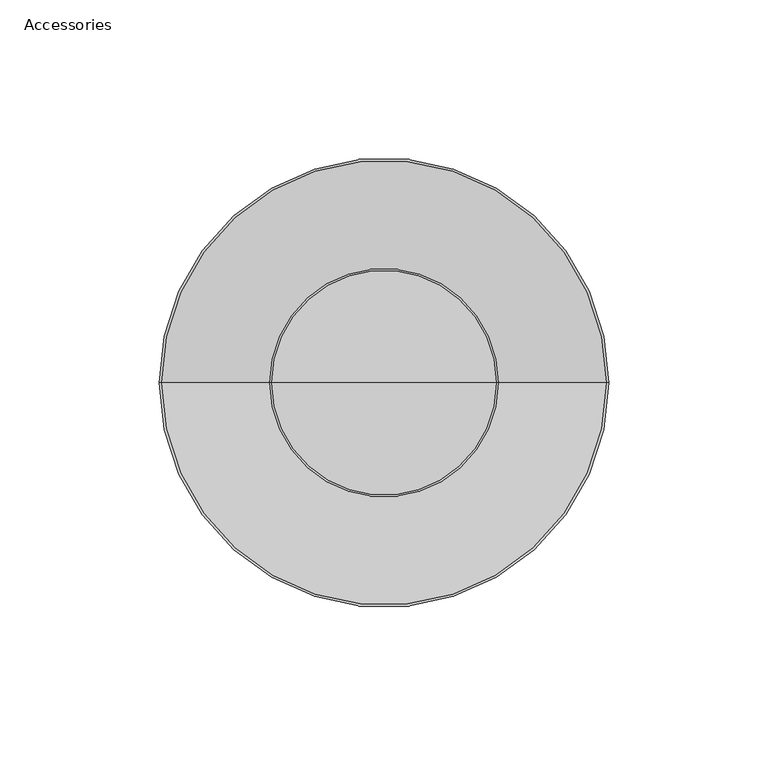
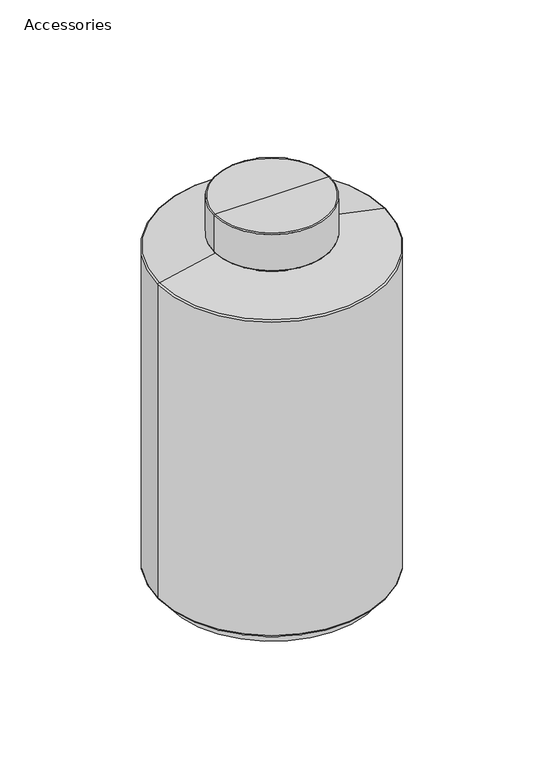
"""IFC4 building model written with IfcOpenShell, lengths in millimetres: furniture geometry, Accessories."""

from ifc_helpers import new_model, si_unit, point, frame, origin, place, context, project, spatial, polyline, circle_curve, ellipse_curve, trimmed, source, transform, mapped, element, save
from ifc_brep_helpers import plane_surface, cylinder_surface, revolved_surface, advanced_brep


def accessories_2618b80d(model_context):
    return source(origin(), model_context, "Body", "AdvancedBrep", [
        advanced_brep(
        [(-397.0075129, 345.7919098, 246.789098), (-325.2603036, 345.7919098, 246.789098), (-325.7792208, 345.7919098, 247.3080151), (-396.4885958, 345.7919098, 247.3080151), (-397.0075129, 345.7919098, 223.1217833), (-325.2603036, 345.7919098, 223.1217833), (-396.3535458, 345.7919098, 222.4678162), (-325.9142707, 345.7919098, 222.4678162), (-392.9948174, 345.7919098, 222.4678162), (-329.2729991, 345.7919098, 222.4678162), (-430.8687447, 345.7919098, 214.5175882), (-291.3990718, 345.7919098, 214.5175882), (-431.6553844, 345.7919098, 213.5486784), (-290.6124321, 345.7919098, 213.5486784), (-431.6553844, 345.7919098, 7.9831924), (-290.6124321, 345.7919098, 7.9831924), (-430.51664, 345.7919098, 6.7277154), (-291.7511766, 345.7919098, 6.7277154), (-425.5688509, 345.7919098, 6.2440973), (-296.6989656, 345.7919098, 6.2440973), (-425.5688509, 345.7919098, 0.0), (-296.6989656, 345.7919098, 0.0), (-361.1339083, 345.7919098, 0.0), (-361.1339083, 345.7919098, 247.3080151)],
        [
            (0, 1, circle_curve(frame((-361.1339083, 345.7919098, 246.789098), z_axis=(0.0, 0.0, 1.0), x_axis=(1.0, 0.0, 0.0)), 35.8736046)),
            (1, 2, circle_curve(frame((-325.7792208, 345.7919098, 246.789098), z_axis=(0.0, -1.0, 0.0), x_axis=(1.0, 0.0, 0.0)), 0.5189171)),
            (2, 3, circle_curve(frame((-361.1339083, 345.7919098, 247.3080151), z_axis=(0.0, 0.0, -1.0), x_axis=(1.0, 0.0, 0.0)), 35.3546875)),
            (3, 0, circle_curve(frame((-396.4885958, 345.7919098, 246.789098), z_axis=(0.0, -1.0, 0.0), x_axis=(-1.0, 0.0, 0.0)), 0.5189171)),
            (1, 0, circle_curve(frame((-361.1339083, 345.7919098, 246.789098), z_axis=(0.0, 0.0, 1.0), x_axis=(1.0, 0.0, 0.0)), 35.8736046)),
            (3, 2, circle_curve(frame((-361.1339083, 345.7919098, 247.3080151), z_axis=(0.0, 0.0, -1.0), x_axis=(1.0, 0.0, 0.0)), 35.3546875)),
            (4, 5, circle_curve(frame((-361.1339083, 345.7919098, 223.1217833), z_axis=(0.0, 0.0, 1.0), x_axis=(1.0, 0.0, 0.0)), 35.8736046)),
            (5, 1),
            (0, 4),
            (5, 4, circle_curve(frame((-361.1339083, 345.7919098, 223.1217833), z_axis=(0.0, 0.0, 1.0), x_axis=(1.0, 0.0, 0.0)), 35.8736046)),
            (6, 7, circle_curve(frame((-361.1339083, 345.7919098, 222.4678162), z_axis=(0.0, 0.0, 1.0), x_axis=(1.0, 0.0, 0.0)), 35.2196375)),
            (7, 5, circle_curve(frame((-325.9142707, 345.7919098, 223.1217833), z_axis=(0.0, -1.0, 0.0), x_axis=(1.0, 0.0, 0.0)), 0.6539671)),
            (4, 6, circle_curve(frame((-396.3535458, 345.7919098, 223.1217833), z_axis=(0.0, -1.0, 0.0), x_axis=(-1.0, 0.0, 0.0)), 0.6539671)),
            (7, 6, circle_curve(frame((-361.1339083, 345.7919098, 222.4678162), z_axis=(0.0, 0.0, 1.0), x_axis=(1.0, 0.0, 0.0)), 35.2196375)),
            (8, 9, circle_curve(frame((-361.1339083, 345.7919098, 222.4678162), z_axis=(0.0, 0.0, 1.0), x_axis=(1.0, 0.0, 0.0)), 31.8609091)),
            (9, 7),
            (6, 8),
            (9, 8, circle_curve(frame((-361.1339083, 345.7919098, 222.4678162), z_axis=(0.0, 0.0, 1.0), x_axis=(1.0, 0.0, 0.0)), 31.8609091)),
            (10, 11, circle_curve(frame((-361.1339083, 345.7919098, 214.5175882), z_axis=(0.0, 0.0, 1.0), x_axis=(1.0, 0.0, 0.0)), 69.7348364)),
            (11, 9),
            (8, 10),
            (11, 10, circle_curve(frame((-361.1339083, 345.7919098, 214.5175882), z_axis=(0.0, 0.0, 1.0), x_axis=(1.0, 0.0, 0.0)), 69.7348364)),
            (12, 13, circle_curve(frame((-361.1339083, 345.7919098, 213.5486784), z_axis=(0.0, 0.0, 1.0), x_axis=(1.0, 0.0, 0.0)), 70.5214761)),
            (13, 11, circle_curve(frame((-291.6024585, 345.7919098, 213.5486784), z_axis=(0.0, -1.0, 0.0), x_axis=(1.0, 0.0, 0.0)), 0.9900264)),
            (10, 12, circle_curve(frame((-430.665358, 345.7919098, 213.5486784), z_axis=(0.0, -1.0, 0.0), x_axis=(-1.0, 0.0, 0.0)), 0.9900264)),
            (13, 12, circle_curve(frame((-361.1339083, 345.7919098, 213.5486784), z_axis=(0.0, 0.0, 1.0), x_axis=(1.0, 0.0, 0.0)), 70.5214761)),
            (14, 15, circle_curve(frame((-361.1339083, 345.7919098, 7.9831924), z_axis=(0.0, 0.0, 1.0), x_axis=(1.0, 0.0, 0.0)), 70.5214761)),
            (15, 13),
            (12, 14),
            (15, 14, circle_curve(frame((-361.1339083, 345.7919098, 7.9831924), z_axis=(0.0, 0.0, 1.0), x_axis=(1.0, 0.0, 0.0)), 70.5214761)),
            (16, 17, circle_curve(frame((-361.1339083, 345.7919098, 6.7277154), z_axis=(0.0, 0.0, 1.0), x_axis=(1.0, 0.0, 0.0)), 69.3827317)),
            (17, 15, circle_curve(frame((-291.8738923, 345.7919098, 7.9831924), z_axis=(0.0, -1.0, 0.0), x_axis=(1.0, 0.0, 0.0)), 1.2614601)),
            (14, 16, circle_curve(frame((-430.3939243, 345.7919098, 7.9831924), z_axis=(0.0, -1.0, 0.0), x_axis=(-1.0, 0.0, 0.0)), 1.2614601)),
            (17, 16, circle_curve(frame((-361.1339083, 345.7919098, 6.7277154), z_axis=(0.0, 0.0, 1.0), x_axis=(1.0, 0.0, 0.0)), 69.3827317)),
            (18, 19, circle_curve(frame((-361.1339083, 345.7919098, 6.2440973), z_axis=(0.0, 0.0, 1.0), x_axis=(1.0, 0.0, 0.0)), 64.4349427)),
            (19, 17),
            (16, 18),
            (19, 18, circle_curve(frame((-361.1339083, 345.7919098, 6.2440973), z_axis=(0.0, 0.0, 1.0), x_axis=(1.0, 0.0, 0.0)), 64.4349427)),
            (20, 21, circle_curve(frame((-361.1339083, 345.7919098, 0.0), z_axis=(0.0, 0.0, 1.0), x_axis=(1.0, 0.0, 0.0)), 64.4349427)),
            (21, 19),
            (18, 20),
            (21, 20, circle_curve(frame((-361.1339083, 345.7919098, 0.0), z_axis=(0.0, 0.0, 1.0), x_axis=(1.0, 0.0, 0.0)), 64.4349427)),
            (22, 21),
            (20, 22),
            (2, 23),
            (23, 3),
        ],
        [
            revolved_surface(trimmed(ellipse_curve(frame((-325.7792208, 345.7919098, 246.789098), z_axis=(0.0, 1.0, 0.0), x_axis=(1.0, 0.0, 0.0)), 0.5189171, 0.5189171), [point((-325.7792208, 345.7919098, 247.3080151))], [point((-325.2603036, 345.7919098, 246.789098))], True, "CARTESIAN"), (-361.1339083, 345.7919098, 312.4179444), (0.0, 0.0, -1.0)),
            cylinder_surface(frame((-361.1339083, 345.7919098, 312.4179444), z_axis=(0.0, 0.0, -1.0), x_axis=(1.0, 0.0, 0.0)), 35.8736046),
            revolved_surface(trimmed(ellipse_curve(frame((-325.9142707, 345.7919098, 223.1217833), z_axis=(0.0, 1.0, 0.0), x_axis=(1.0, 0.0, 0.0)), 0.6539671, 0.6539671), [point((-325.2603036, 345.7919098, 223.1217833))], [point((-325.9142707, 345.7919098, 222.4678162))], True, "CARTESIAN"), (-361.1339083, 345.7919098, 312.4179444), (0.0, 0.0, -1.0)),
            plane_surface(frame((-361.1339083, 345.7919098, 222.4678162), z_axis=(0.0, 0.0, -1.0), x_axis=(1.0, 0.0, 0.0))),
            revolved_surface(polyline([(-329.2729991, 345.7919098, 222.4678162), (-291.3990718, 345.7919098, 214.5175882)]), (-361.1339083, 345.7919098, 312.4179444), (0.0, 0.0, -1.0)),
            revolved_surface(trimmed(ellipse_curve(frame((-291.6024585, 345.7919098, 213.5486784), z_axis=(0.0, 1.0, 0.0), x_axis=(1.0, 0.0, 0.0)), 0.9900264, 0.9900264), [point((-291.3990718, 345.7919098, 214.5175882))], [point((-290.6124321, 345.7919098, 213.5486784))], True, "CARTESIAN"), (-361.1339083, 345.7919098, 312.4179444), (0.0, 0.0, -1.0)),
            cylinder_surface(frame((-361.1339083, 345.7919098, 312.4179444), z_axis=(0.0, 0.0, -1.0), x_axis=(1.0, 0.0, 0.0)), 70.5214761),
            revolved_surface(trimmed(ellipse_curve(frame((-291.8738923, 345.7919098, 7.9831924), z_axis=(0.0, 1.0, 0.0), x_axis=(1.0, 0.0, 0.0)), 1.2614601, 1.2614601), [point((-290.6124321, 345.7919098, 7.9831924))], [point((-291.7511766, 345.7919098, 6.7277154))], True, "CARTESIAN"), (-361.1339083, 345.7919098, 312.4179444), (0.0, 0.0, -1.0)),
            revolved_surface(polyline([(-291.7511766, 345.7919098, 6.7277154), (-296.6989656, 345.7919098, 6.2440973)]), (-361.1339083, 345.7919098, 312.4179444), (0.0, 0.0, -1.0)),
            cylinder_surface(frame((-361.1339083, 345.7919098, 312.4179444), z_axis=(0.0, 0.0, -1.0), x_axis=(1.0, 0.0, 0.0)), 64.4349427),
            plane_surface(frame((-361.1339083, 345.7919098, 0.0), z_axis=(0.0, 0.0, -1.0), x_axis=(1.0, 0.0, 0.0))),
            plane_surface(frame((-361.1339083, 345.7919098, 247.3080151), z_axis=(0.0, 0.0, 1.0), x_axis=(1.0, 0.0, 0.0))),
        ],
        [
            (0, [[1, 2, 3, 4]]),
            (0, [[5, -4, 6, -2]]),
            (1, [[7, 8, -1, 9]]),
            (1, [[10, -9, -5, -8]]),
            (2, [[11, 12, -7, 13]]),
            (2, [[14, -13, -10, -12]]),
            (3, [[15, 16, -11, 17]]),
            (3, [[18, -17, -14, -16]]),
            (4, [[19, 20, -15, 21]]),
            (4, [[22, -21, -18, -20]]),
            (5, [[23, 24, -19, 25]]),
            (5, [[26, -25, -22, -24]]),
            (6, [[27, 28, -23, 29]]),
            (6, [[30, -29, -26, -28]]),
            (7, [[31, 32, -27, 33]]),
            (7, [[34, -33, -30, -32]]),
            (8, [[35, 36, -31, 37]]),
            (8, [[38, -37, -34, -36]]),
            (9, [[39, 40, -35, 41]]),
            (9, [[42, -41, -38, -40]]),
            (10, [[43, -39, 44]]),
            (10, [[-44, -42, -43]]),
            (11, [[-3, 45, 46]]),
            (11, [[-6, -46, -45]]),
        ],
    ),
    ])


if __name__ == "__main__":
    model = new_model("IFC4")
    model_context = context("Model", 3, world=origin())
    ifc_project = project(units=[si_unit("LENGTHUNIT", "METRE", prefix="MILLI")], contexts=[model_context])
    site = spatial("IfcSite", under=ifc_project)
    building = spatial("IfcBuilding", under=site)
    placement = place(None, origin())
    accessories_shape = accessories_2618b80d(model_context)
    element("IfcFurniture", 1, ObjectType="Accessories", at=placement, inside=building, context=model_context, shape_type="MappedRepresentation", body=[
        mapped(accessories_shape, transform((0.0, 0.0, 0.0), x_axis=(1.0, 0.0, 0.0), y_axis=(0.0, 1.0, 0.0), z_axis=(0.0, 0.0, 1.0))),
    ])
    save(model, "model.ifc")
